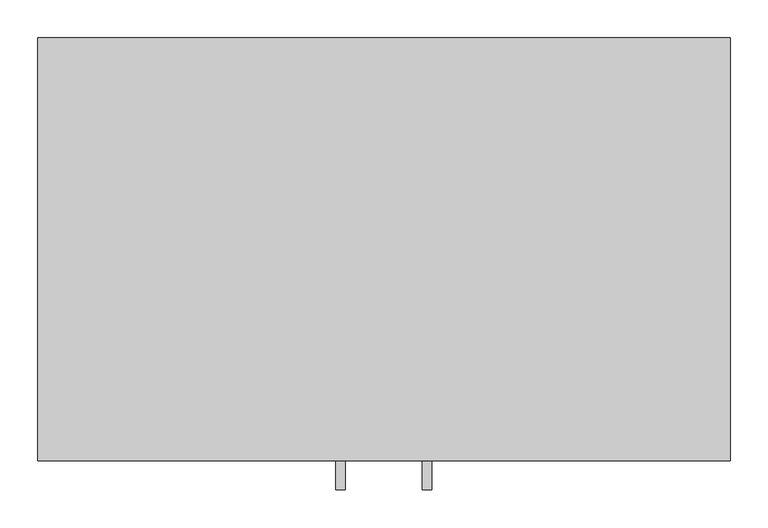
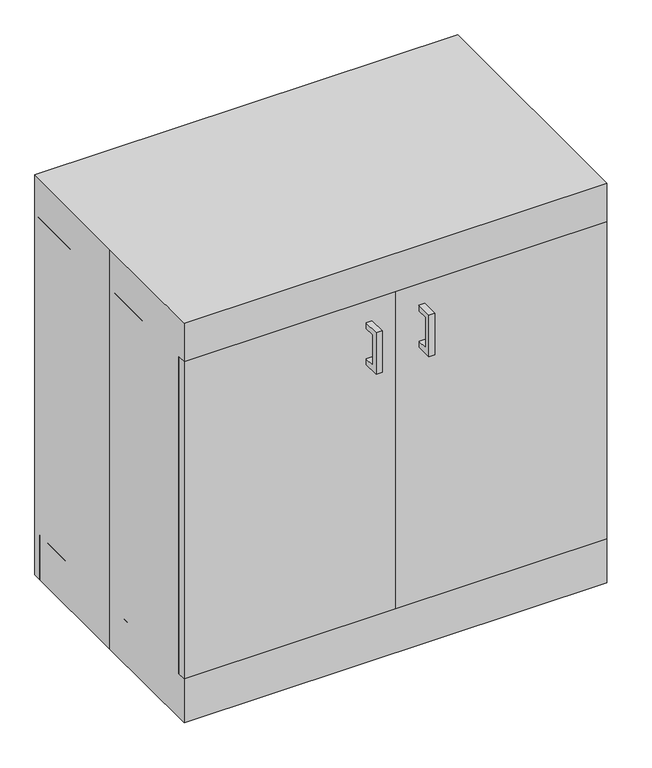
"""IFC4 building model written with IfcOpenShell, lengths in millimetres: proxy geometry."""

from ifc_helpers import new_model, si_unit, frame, origin, origin_with_axes, place, context, project, spatial, polyline, outline, extrude, source, transform, mapped, element, save


def specialty_equipment_cf2b0685(model_context):
    return source(origin(), model_context, "Body", "SweptSolid", [
        extrude(outline(polyline([(0.0, -279.4), (-457.2, -279.4), (-457.2, -260.35), (0.0, -260.35), (0.0, -279.4)])), frame((0.0, 0.0, 101.6), z_axis=(0.0, 0.0, 1.0), x_axis=(1.0, 0.0, 0.0)), (0.0, 0.0, 1.0), 723.8674767),
        extrude(outline(polyline([(457.2, -279.4), (0.0, -279.4), (0.0, -260.35), (457.2, -260.35), (457.2, -279.4)])), frame((0.0, 0.0, 101.6), z_axis=(0.0, 0.0, 1.0), x_axis=(1.0, 0.0, 0.0)), (0.0, 0.0, 1.0), 723.8674767),
        extrude(outline(polyline([(-317.5, 682.625), (-317.5, 777.875), (-279.4, 777.875), (-279.4, 765.1909299), (-304.8159299, 765.1909299), (-304.8159299, 695.3090701), (-279.4, 695.3090701), (-279.4, 682.625), (-317.5, 682.625)])), frame((50.5065288, 0.0, 0.0), z_axis=(1.0, 0.0, 0.0), x_axis=(0.0, 1.0, 0.0)), (0.0, 0.0, 1.0), 12.7),
        extrude(outline(polyline([(-317.5, 682.6060937), (-317.5, 777.8560937), (-279.4, 777.8560937), (-279.4, 765.1720236), (-304.8159299, 765.1720236), (-304.8159299, 695.2901637), (-279.4, 695.2901637), (-279.4, 682.6060937), (-317.5, 682.6060937)])), frame((-63.7934712, 0.0, 0.0), z_axis=(1.0, 0.0, 0.0), x_axis=(0.0, 1.0, 0.0)), (0.0, 0.0, 1.0), 12.7),
        extrude(outline(polyline([(-457.2, 279.4), (457.2, 279.4), (457.2, -279.4), (-457.2, -279.4), (-457.2, 0.0), (-457.2, 279.4)])), origin_with_axes(), (0.0, 0.0, 1.0), 914.4),
        extrude(outline(polyline([(-457.2, -260.35), (-457.2, 279.4), (-438.15, 279.4), (-438.15, -260.35), (-457.2, -260.35)])), frame((0.0, 0.0, 101.6), z_axis=(0.0, 0.0, 1.0), x_axis=(1.0, 0.0, 0.0)), (0.0, 0.0, 1.0), 723.8674767),
        extrude(outline(polyline([(438.15, -260.35), (438.15, 279.4), (457.2, 279.4), (457.2, -260.35), (438.15, -260.35)])), frame((0.0, 0.0, 101.6), z_axis=(0.0, 0.0, 1.0), x_axis=(1.0, 0.0, 0.0)), (0.0, 0.0, 1.0), 723.8674767),
        extrude(outline(polyline([(457.2, -203.2), (-457.2, -203.2), (-457.2, -184.15), (457.2, -184.15), (457.2, -203.2)])), origin_with_axes(), (0.0, 0.0, 1.0), 101.6),
        extrude(outline(polyline([(-457.2, -184.15), (-457.2, 279.4), (-438.15, 279.4), (-438.15, -184.15), (-457.2, -184.15)])), origin_with_axes(), (0.0, 0.0, 1.0), 101.6),
        extrude(outline(polyline([(438.15, -184.15), (438.15, 279.4), (457.2, 279.4), (457.2, -184.15), (438.15, -184.15)])), origin_with_axes(), (0.0, 0.0, 1.0), 101.6),
        extrude(outline(polyline([(457.2, 260.35), (-457.2, 260.35), (-457.2, 279.4), (457.2, 279.4), (457.2, 260.35)])), origin_with_axes(), (0.0, 0.0, 1.0), 101.6),
        extrude(outline(polyline([(438.15, 260.35), (438.15, -260.35), (-438.15, -260.35), (-438.15, 260.35), (438.15, 260.35)])), frame((0.0, 0.0, 101.6), z_axis=(0.0, 0.0, 1.0), x_axis=(1.0, 0.0, 0.0)), (0.0, 0.0, 1.0), 19.1166954),
        extrude(outline(polyline([(438.15, 260.35), (-438.15, 260.35), (-438.15, 279.4), (438.15, 279.4), (438.15, 260.35)])), frame((0.0, 0.0, 101.6), z_axis=(0.0, 0.0, 1.0), x_axis=(1.0, 0.0, 0.0)), (0.0, 0.0, 1.0), 704.8174767),
    ])


if __name__ == "__main__":
    model = new_model("IFC4")
    model_context = context("Model", 3, world=origin())
    ifc_project = project(units=[si_unit("LENGTHUNIT", "METRE", prefix="MILLI")], contexts=[model_context])
    site = spatial("IfcSite", under=ifc_project)
    building = spatial("IfcBuilding", under=site)
    placement = place(None, origin())
    specialty_equipment_shape = specialty_equipment_cf2b0685(model_context)
    element("IfcBuildingElementProxy", 1, Name="Specialty Equipment", at=placement, inside=building, context=model_context, shape_type="MappedRepresentation", body=[
        mapped(specialty_equipment_shape, transform((0.0, 0.0, 0.0), x_axis=(1.0, 0.0, 0.0), y_axis=(0.0, 1.0, 0.0), z_axis=(0.0, 0.0, 1.0))),
    ])
    save(model, "model.ifc")
